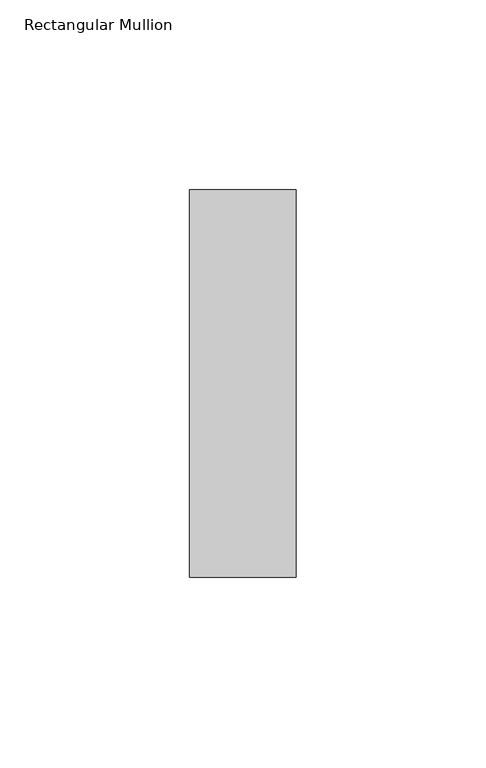
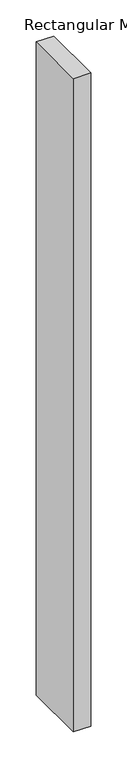
"""IFC4 building model written with IfcOpenShell, lengths in millimetres: member geometry, Rectangular Mullion."""

from ifc_helpers import new_model, si_unit, frame, origin, place, context, project, spatial, polyline, outline, extrude, source, transform, mapped, element, save


def rectangular_mullion_ecb91d1e(model_context):
    return source(origin(), model_context, "Body", "SweptSolid", [
        extrude(outline(polyline([(0.0, -51.0), (-28.0, -51.0), (-28.0, 51.0), (0.0, 51.0), (0.0, -51.0)])), frame((0.0, 0.0, -1102.5), z_axis=(0.0, 0.0, 1.0), x_axis=(1.0, 0.0, 0.0)), (0.0, 0.0, 1.0), 1102.5),
    ])


if __name__ == "__main__":
    model = new_model("IFC4")
    model_context = context("Model", 3, world=origin())
    ifc_project = project(units=[si_unit("LENGTHUNIT", "METRE", prefix="MILLI")], contexts=[model_context])
    site = spatial("IfcSite", under=ifc_project)
    building = spatial("IfcBuilding", under=site)
    placement = place(None, origin())
    rectangular_mullion_shape = rectangular_mullion_ecb91d1e(model_context)
    element("IfcMember", 1, ObjectType="Rectangular Mullion", at=placement, inside=building, context=model_context, shape_type="MappedRepresentation", body=[
        mapped(rectangular_mullion_shape, transform((0.0, 0.0, 0.0), x_axis=(1.0, 0.0, 0.0), y_axis=(0.0, 1.0, 0.0), z_axis=(0.0, 0.0, 1.0))),
    ])
    save(model, "model.ifc")
